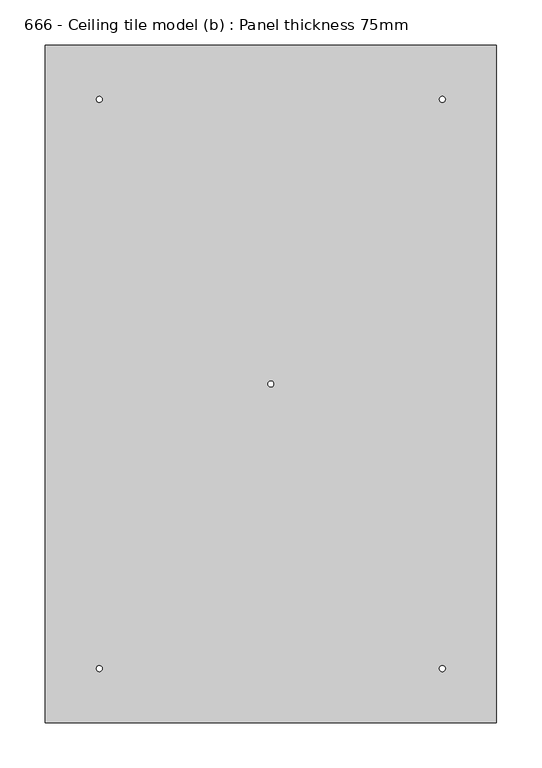
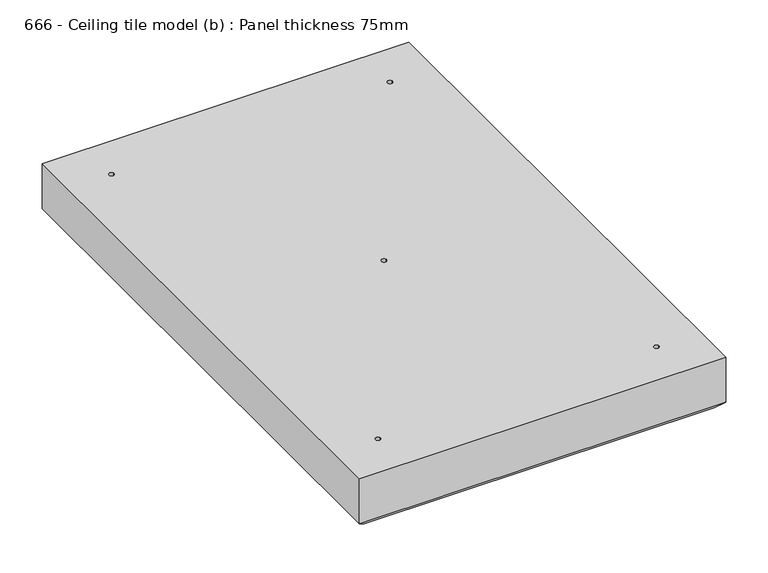
"""IFC4 building model written with IfcOpenShell, lengths in millimetres: proxy geometry, 666 - Ceiling tile model (b) : Panel thickness 75mm."""

from ifc_helpers import new_model, si_unit, frame, origin, origin_with_axes, place, context, project, spatial, polyline, circle_curve, source, transform, mapped, element, save
from ifc_brep_helpers import plane_surface, revolved_surface, advanced_brep


def proxy_666_ceiling_tile_model_b_panel_thickness_75mm_c26622ad(model_context):
    return source(origin(), model_context, "Body", "AdvancedBrep", [
        advanced_brep(
        [(250.0, 375.0, 75.0), (-250.0, 375.0, 75.0), (-250.0, -375.0, 75.0), (250.0, -375.0, 75.0), (-186.75, -315.0, 75.0), (-193.25, -315.0, 75.0), (193.25, -315.0, 75.0), (186.75, -315.0, 75.0), (193.25, 315.0, 75.0), (186.75, 315.0, 75.0), (-186.75, 315.0, 75.0), (-193.25, 315.0, 75.0), (3.25, 0.0, 75.0), (-3.25, 0.0, 75.0), (240.0, -365.0, 0.0), (-240.0, -365.0, 0.0), (-240.0, 365.0, 0.0), (240.0, 365.0, 0.0), (-193.25, -315.0, 0.0), (-186.75, -315.0, 0.0), (186.75, -315.0, 0.0), (193.25, -315.0, 0.0), (186.75, 315.0, 0.0), (193.25, 315.0, 0.0), (-193.25, 315.0, 0.0), (-186.75, 315.0, 0.0), (-3.25, 0.0, 0.0), (3.25, 0.0, 0.0), (250.0, 375.0, 10.0), (-250.0, 375.0, 10.0), (-250.0, -375.0, 10.0), (250.0, -375.0, 10.0)],
        [
            (0, 1),
            (1, 2),
            (2, 3),
            (3, 0),
            (4, 5, circle_curve(frame((-190.0, -315.0, 75.0), z_axis=(0.0, 0.0, -1.0), x_axis=(1.0, 0.0, 0.0)), 3.25)),
            (5, 4, circle_curve(frame((-190.0, -315.0, 75.0), z_axis=(0.0, 0.0, -1.0), x_axis=(1.0, 0.0, 0.0)), 3.25)),
            (6, 7, circle_curve(frame((190.0, -315.0, 75.0), z_axis=(0.0, 0.0, -1.0), x_axis=(1.0, 0.0, 0.0)), 3.25)),
            (7, 6, circle_curve(frame((190.0, -315.0, 75.0), z_axis=(0.0, 0.0, -1.0), x_axis=(1.0, 0.0, 0.0)), 3.25)),
            (8, 9, circle_curve(frame((190.0, 315.0, 75.0), z_axis=(0.0, 0.0, -1.0), x_axis=(1.0, 0.0, 0.0)), 3.25)),
            (9, 8, circle_curve(frame((190.0, 315.0, 75.0), z_axis=(0.0, 0.0, -1.0), x_axis=(1.0, 0.0, 0.0)), 3.25)),
            (10, 11, circle_curve(frame((-190.0, 315.0, 75.0), z_axis=(0.0, 0.0, -1.0), x_axis=(1.0, 0.0, 0.0)), 3.25)),
            (11, 10, circle_curve(frame((-190.0, 315.0, 75.0), z_axis=(0.0, 0.0, -1.0), x_axis=(1.0, 0.0, 0.0)), 3.25)),
            (12, 13, circle_curve(frame((0.0, 0.0, 75.0), z_axis=(0.0, 0.0, -1.0), x_axis=(1.0, 0.0, 0.0)), 3.25)),
            (13, 12, circle_curve(frame((0.0, 0.0, 75.0), z_axis=(0.0, 0.0, -1.0), x_axis=(1.0, 0.0, 0.0)), 3.25)),
            (14, 15),
            (15, 16),
            (16, 17),
            (17, 14),
            (18, 19, circle_curve(frame((-190.0, -315.0, 0.0), z_axis=(0.0, 0.0, 1.0), x_axis=(1.0, 0.0, 0.0)), 3.25)),
            (19, 18, circle_curve(frame((-190.0, -315.0, 0.0), z_axis=(0.0, 0.0, 1.0), x_axis=(1.0, 0.0, 0.0)), 3.25)),
            (20, 21, circle_curve(frame((190.0, -315.0, 0.0), z_axis=(0.0, 0.0, 1.0), x_axis=(1.0, 0.0, 0.0)), 3.25)),
            (21, 20, circle_curve(frame((190.0, -315.0, 0.0), z_axis=(0.0, 0.0, 1.0), x_axis=(1.0, 0.0, 0.0)), 3.25)),
            (22, 23, circle_curve(frame((190.0, 315.0, 0.0), z_axis=(0.0, 0.0, 1.0), x_axis=(1.0, 0.0, 0.0)), 3.25)),
            (23, 22, circle_curve(frame((190.0, 315.0, 0.0), z_axis=(0.0, 0.0, 1.0), x_axis=(1.0, 0.0, 0.0)), 3.25)),
            (24, 25, circle_curve(frame((-190.0, 315.0, 0.0), z_axis=(0.0, 0.0, 1.0), x_axis=(1.0, 0.0, 0.0)), 3.25)),
            (25, 24, circle_curve(frame((-190.0, 315.0, 0.0), z_axis=(0.0, 0.0, 1.0), x_axis=(1.0, 0.0, 0.0)), 3.25)),
            (26, 27, circle_curve(origin_with_axes(), 3.25)),
            (27, 26, circle_curve(origin_with_axes(), 3.25)),
            (0, 28),
            (28, 29),
            (29, 1),
            (29, 30),
            (30, 2),
            (30, 31),
            (31, 3),
            (31, 28),
            (4, 19),
            (18, 5),
            (6, 21),
            (20, 7),
            (8, 23),
            (22, 9),
            (10, 25),
            (24, 11),
            (12, 27),
            (26, 13),
            (30, 15),
            (14, 31),
            (29, 16),
            (28, 17),
        ],
        [
            plane_surface(frame((-250.0, 375.0, 75.0), z_axis=(0.0, 0.0, 1.0), x_axis=(-1.0, 0.0, 0.0))),
            plane_surface(frame((-250.0, 375.0, 0.0), z_axis=(0.0, 0.0, -1.0), x_axis=(1.0, 0.0, 0.0))),
            plane_surface(frame((250.0, 375.0, 75.0), z_axis=(0.0, 1.0, 0.0), x_axis=(0.0, 0.0, -1.0))),
            plane_surface(frame((-250.0, 375.0, 75.0), z_axis=(-1.0, 0.0, 0.0), x_axis=(0.0, 0.0, -1.0))),
            plane_surface(frame((-250.0, -375.0, 75.0), z_axis=(0.0, -1.0, 0.0), x_axis=(0.0, 0.0, -1.0))),
            plane_surface(frame((250.0, -375.0, 75.0), z_axis=(1.0, 0.0, 0.0), x_axis=(0.0, 0.0, -1.0))),
            revolved_surface(polyline([(-186.75, -315.0, 75.0), (-186.75, -315.0, 0.0)]), (-190.0, -315.0, 0.0), (0.0, 0.0, 1.0)),
            revolved_surface(polyline([(193.25, -315.0, 75.0), (193.25, -315.0, 0.0)]), (190.0, -315.0, 0.0), (0.0, 0.0, 1.0)),
            revolved_surface(polyline([(193.25, 315.0, 75.0), (193.25, 315.0, 0.0)]), (190.0, 315.0, 0.0), (0.0, 0.0, 1.0)),
            revolved_surface(polyline([(-186.75, 315.0, 75.0), (-186.75, 315.0, 0.0)]), (-190.0, 315.0, 0.0), (0.0, 0.0, 1.0)),
            revolved_surface(polyline([(3.25, 0.0, 75.0), (3.25, 0.0, 0.0)]), (0.0, 0.0, 0.0), (0.0, 0.0, 1.0)),
            plane_surface(frame((240.0, -365.0, 0.0), z_axis=(0.0, -0.7071067811865464, -0.7071067811865488), x_axis=(-1.0, 0.0, 0.0))),
            plane_surface(frame((-240.0, -365.0, 0.0), z_axis=(-0.7071067811865464, 0.0, -0.7071067811865488), x_axis=(0.0, 1.0, 0.0))),
            plane_surface(frame((-240.0, 365.0, 0.0), z_axis=(0.0, 0.7071067811865464, -0.7071067811865488), x_axis=(1.0, 0.0, 0.0))),
            plane_surface(frame((240.0, 365.0, 0.0), z_axis=(0.7071067811865464, 0.0, -0.7071067811865488), x_axis=(0.0, -1.0, 0.0))),
        ],
        [
            (0, [[1, 2, 3, 4], [5, 6], [7, 8], [9, 10], [11, 12], [13, 14]]),
            (1, [[15, 16, 17, 18], [19, 20], [21, 22], [23, 24], [25, 26], [27, 28]]),
            (2, [[-1, 29, 30, 31]]),
            (3, [[-2, -31, 32, 33]]),
            (4, [[-3, -33, 34, 35]]),
            (5, [[-4, -35, 36, -29]]),
            (6, [[37, -19, 38, -5]]),
            (6, [[-37, -6, -38, -20]]),
            (7, [[39, -21, 40, -7]]),
            (7, [[-39, -8, -40, -22]]),
            (8, [[41, -23, 42, -9]]),
            (8, [[-41, -10, -42, -24]]),
            (9, [[43, -25, 44, -11]]),
            (9, [[-43, -12, -44, -26]]),
            (10, [[45, -27, 46, -13]]),
            (10, [[-45, -14, -46, -28]]),
            (11, [[47, -15, 48, -34]]),
            (12, [[-47, -32, 49, -16]]),
            (13, [[-49, -30, 50, -17]]),
            (14, [[-48, -18, -50, -36]]),
        ],
    ),
    ])


if __name__ == "__main__":
    model = new_model("IFC4")
    model_context = context("Model", 3, world=origin())
    ifc_project = project(units=[si_unit("LENGTHUNIT", "METRE", prefix="MILLI")], contexts=[model_context])
    site = spatial("IfcSite", under=ifc_project)
    building = spatial("IfcBuilding", under=site)
    placement = place(None, origin())
    proxy_666_ceiling_tile_model_b_panel_thickness_75mm_shape = proxy_666_ceiling_tile_model_b_panel_thickness_75mm_c26622ad(model_context)
    element("IfcBuildingElementProxy", 1, Name="666 - Ceiling tile model (b) : Panel thickness 75mm", ObjectType="666 - Ceiling tile model (b) : Panel thickness 75mm", at=placement, inside=building, context=model_context, shape_type="MappedRepresentation", body=[
        mapped(proxy_666_ceiling_tile_model_b_panel_thickness_75mm_shape, transform((0.0, 0.0, 0.0), x_axis=(1.0, 0.0, 0.0), y_axis=(0.0, 1.0, 0.0), z_axis=(0.0, 0.0, 1.0))),
    ])
    save(model, "model.ifc")
